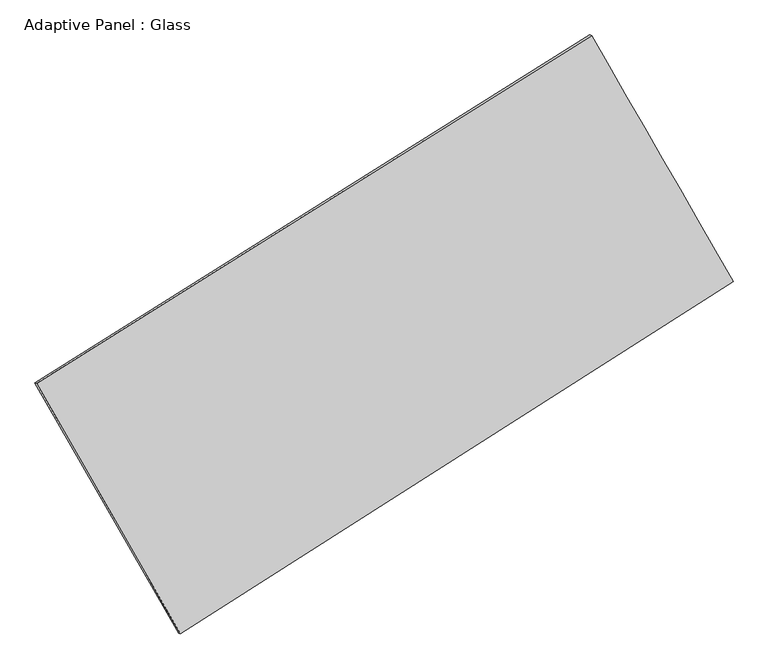
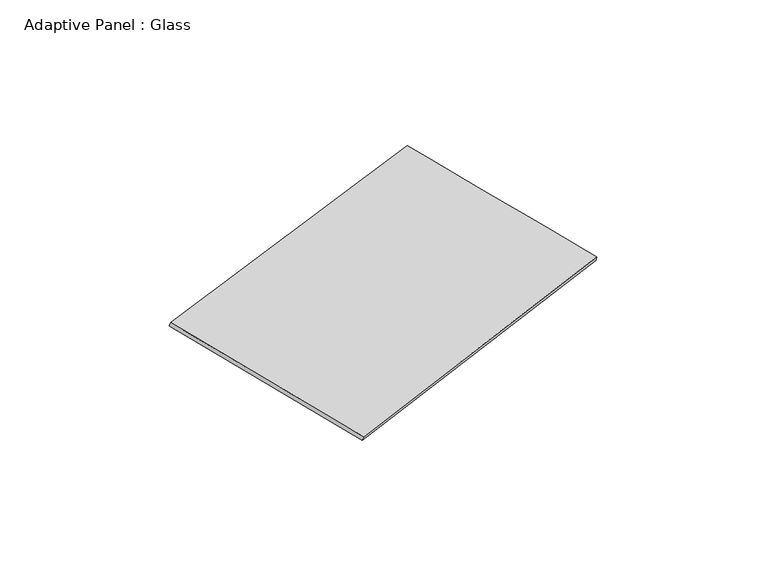
"""IFC4 building model written with IfcOpenShell, lengths in millimetres: plate geometry, Adaptive Panel : Glass."""

from ifc_helpers import new_model, si_unit, frame, origin, place, context, project, spatial, source, transform, mapped, element, save
from ifc_brep_helpers import plane_surface, spline_surface, advanced_brep


def adaptive_panel_glass_35881a03(model_context):
    return source(origin(), model_context, "Body", "AdvancedBrep", [
        advanced_brep(
        [(1167.3915214, 2529.6362316, 659.9171313), (-3727.2354733, -540.7355756, 1766.9381327), (-3712.5691175, -547.1156691, 1814.3110407), (1182.0578773, 2523.2561382, 707.2900394), (-2458.2374474, -2750.253635, 1071.353687), (-2443.5710916, -2756.6337284, 1118.726595), (2414.7908211, 361.1044061, -13.0864308), (2429.457177, 354.7243126, 34.2864772)],
        [
            (0, 1),
            (1, 2),
            (2, 3),
            (3, 0),
            (1, 4),
            (4, 5),
            (5, 2),
            (4, 6),
            (6, 7),
            (7, 5),
            (6, 0),
            (3, 7),
        ],
        [
            plane_surface(frame((-1279.9219759, 994.450328, 1213.427632), z_axis=(-0.47047039400844115, 0.8434725954357064, 0.2592519799548221), x_axis=(-0.8319907071447928, -0.5219030610137558, 0.18817188453427194))),
            plane_surface(frame((-3092.7364604, -1645.4946053, 1419.1459098), z_axis=(-0.8261972201306611, -0.5324609606976036, 0.18407465545629367), x_axis=(0.4804548844952342, -0.8365448348146921, -0.26335497585868933))),
            plane_surface(frame((-21.7233131, -1194.5746144, 529.1336281), z_axis=(0.4776098874557838, -0.838954168034496, -0.2608537892038761), x_axis=(0.8284041806347455, 0.5289240830613778, -0.18435245554251933))),
            plane_surface(frame((1791.0911713, 1445.3703189, 323.4153503), z_axis=(0.8262302309061204, 0.53240352774218, -0.18409261034734875), x_axis=(-0.4815004516657119, 0.8370607981831995, 0.2597817068051952))),
            spline_surface(1, 1, [[(-3712.5691175, -547.1156691, 1814.3110407), (1182.0578773, 2523.2561382, 707.2900394)], [(-2443.5710916, -2756.6337284, 1118.726595), (2429.457177, 354.7243126, 34.2864772)]], [2, 2], [2, 2], [0.0, 1.0], [0.0, 1.0]),
            spline_surface(1, 1, [[(2414.7908211, 361.1044061, -13.0864308), (1167.3915214, 2529.6362316, 659.9171313)], [(-2458.2374474, -2750.253635, 1071.353687), (-3727.2354733, -540.7355756, 1766.9381327)]], [2, 2], [2, 2], [0.0, 1.0], [0.0, 1.0]),
        ],
        [
            (0, [[1, 2, 3, 4]]),
            (1, [[5, 6, 7, -2]]),
            (2, [[8, 9, 10, -6]]),
            (3, [[11, -4, 12, -9]]),
            (4, [[-3, -7, -10, -12]]),
            (5, [[-11, -8, -5, -1]]),
        ],
    ),
    ])


if __name__ == "__main__":
    model = new_model("IFC4")
    model_context = context("Model", 3, world=origin())
    ifc_project = project(units=[si_unit("LENGTHUNIT", "METRE", prefix="MILLI")], contexts=[model_context])
    site = spatial("IfcSite", under=ifc_project)
    building = spatial("IfcBuilding", under=site)
    placement = place(None, origin())
    adaptive_panel_glass_shape = adaptive_panel_glass_35881a03(model_context)
    element("IfcPlate", 1, ObjectType="Adaptive Panel : Glass", at=placement, inside=building, context=model_context, shape_type="MappedRepresentation", body=[
        mapped(adaptive_panel_glass_shape, transform((0.0, 0.0, 0.0), x_axis=(1.0, 0.0, 0.0), y_axis=(0.0, 1.0, 0.0), z_axis=(0.0, 0.0, 1.0))),
    ])
    save(model, "model.ifc")
